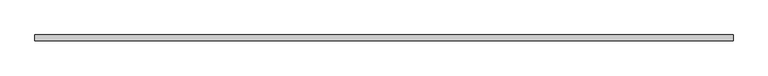
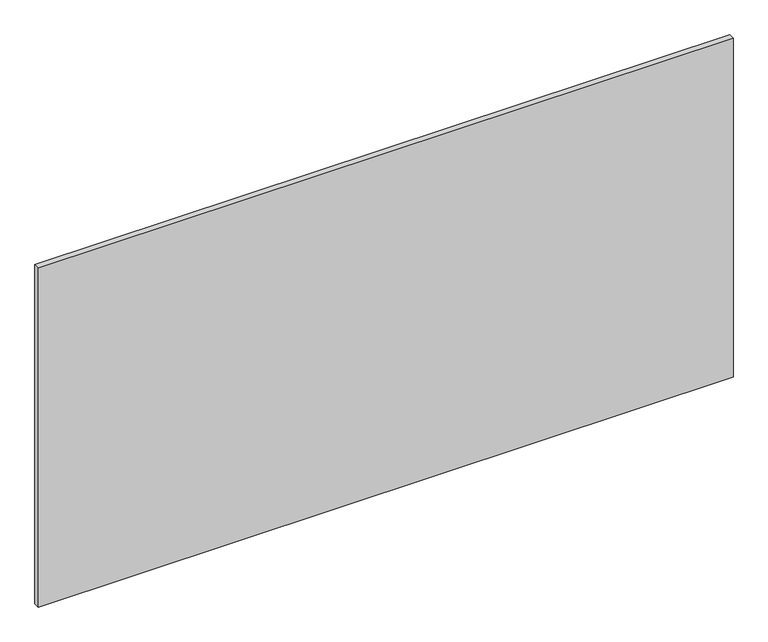
"""IFC4 building model written with IfcOpenShell, lengths in millimetres: furniture geometry."""

from ifc_helpers import new_model, si_unit, frame, origin, place, context, project, spatial, polyline, outline, extrude, source, transform, mapped, element, save


def furniture_f1cf97fd(model_context):
    return source(origin(), model_context, "Body", "SweptSolid", [
        extrude(outline(polyline([(1198.2444477, 14.3510022), (20.9544532, 14.3510022), (20.9544532, 24.5110016), (1198.2444477, 24.5110016), (1198.2444477, 14.3510022)])), frame((0.0, 0.0, 675.8939913), z_axis=(0.0, 0.0, 1.0), x_axis=(1.0, 0.0, 0.0)), (0.0, 0.0, 1.0), 607.5680746),
    ])


if __name__ == "__main__":
    model = new_model("IFC4")
    model_context = context("Model", 3, world=origin())
    ifc_project = project(units=[si_unit("LENGTHUNIT", "METRE", prefix="MILLI")], contexts=[model_context])
    site = spatial("IfcSite", under=ifc_project)
    building = spatial("IfcBuilding", under=site)
    placement = place(None, origin())
    furniture_shape = furniture_f1cf97fd(model_context)
    element("IfcFurniture", 1, at=placement, inside=building, context=model_context, shape_type="MappedRepresentation", body=[
        mapped(furniture_shape, transform((0.0, 0.0, 0.0), x_axis=(1.0, 0.0, 0.0), y_axis=(0.0, 1.0, 0.0), z_axis=(0.0, 0.0, 1.0))),
    ])
    save(model, "model.ifc")
